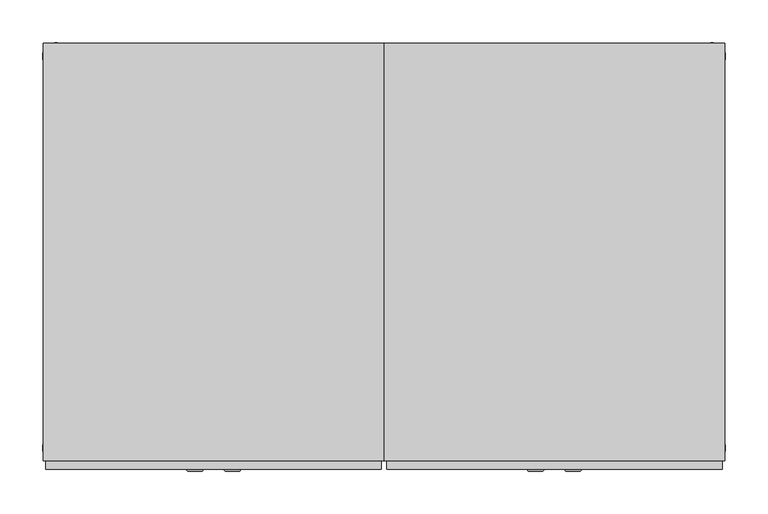
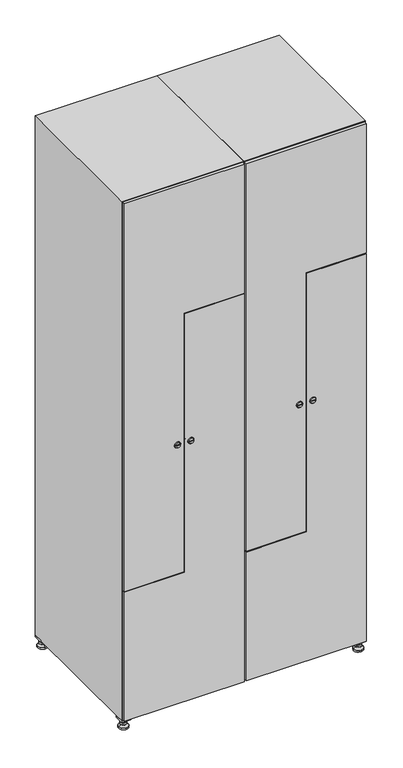
"""IFC4 building model written with IfcOpenShell, lengths in millimetres: furniture geometry."""

from ifc_helpers import new_model, si_unit, point, frame, frame_2d, origin, origin_with_axes, place, context, project, spatial, polyline, circle_curve, trimmed, segment, composite_curve, outline, extrude, faceted_brep, source, transform, mapped, element, save
from ifc_brep_helpers import plane_surface, revolved_surface, advanced_brep


def furniture_caf49d6e(model_context):
    return source(origin(), model_context, "Body", "SolidModel", [
        extrude(outline(polyline([(600.0, 245.0), (600.0, 215.0), (570.0, 215.0), (570.0, 245.0), (600.0, 245.0)]), holes=[polyline([(598.0, 243.0), (572.0, 243.0), (572.0, 217.0), (598.0, 217.0), (598.0, 243.0)])]), frame((0.0, 0.0, 28.5), z_axis=(0.0, 0.0, 1.0), x_axis=(1.0, 0.0, 0.0)), (0.0, 0.0, 1.0), 6.5),
        extrude(outline(polyline([(570.0, -245.0), (570.0, -215.0), (600.0, -215.0), (600.0, -245.0), (570.0, -245.0)]), holes=[polyline([(572.0, -243.0), (598.0, -243.0), (598.0, -217.0), (572.0, -217.0), (572.0, -243.0)])]), frame((0.0, 0.0, 28.5), z_axis=(0.0, 0.0, 1.0), x_axis=(1.0, 0.0, 0.0)), (0.0, 0.0, 1.0), 6.5),
        extrude(outline(polyline([(-170.0, 245.0), (-170.0, 215.0), (-200.0, 215.0), (-200.0, 245.0), (-170.0, 245.0)]), holes=[polyline([(-172.0, 243.0), (-198.0, 243.0), (-198.0, 217.0), (-172.0, 217.0), (-172.0, 243.0)])]), frame((0.0, 0.0, 28.5), z_axis=(0.0, 0.0, 1.0), x_axis=(1.0, 0.0, 0.0)), (0.0, 0.0, 1.0), 6.5),
        extrude(outline(polyline([(-170.0, -215.0), (-170.0, -245.0), (-200.0, -245.0), (-200.0, -215.0), (-170.0, -215.0)]), holes=[polyline([(-198.0, -243.0), (-172.0, -243.0), (-172.0, -217.0), (-198.0, -217.0), (-198.0, -243.0)])]), frame((0.0, 0.0, 28.5), z_axis=(0.0, 0.0, 1.0), x_axis=(1.0, 0.0, 0.0)), (0.0, 0.0, 1.0), 6.5),
        extrude(outline(composite_curve([segment(trimmed(circle_curve(frame_2d((-185.0, 230.0)), 5.0), [point((-180.0, 230.0))], [point((-190.0, 230.0))], False, "CARTESIAN"), True, "CONTINUOUS"), segment(trimmed(circle_curve(frame_2d((-185.0, 230.0)), 5.0), [point((-190.0, 230.0))], [point((-180.0, 230.0))], False, "CARTESIAN"), True, "CONTINUOUS")], self_intersect=False)), frame((0.0, 0.0, 19.6), z_axis=(0.0, 0.0, 1.0), x_axis=(1.0, 0.0, 0.0)), (0.0, 0.0, 1.0), 15.4),
        extrude(outline(composite_curve([segment(trimmed(circle_curve(frame_2d((-185.0, -230.0)), 5.0), [point((-180.0, -230.0))], [point((-190.0, -230.0))], False, "CARTESIAN"), True, "CONTINUOUS"), segment(trimmed(circle_curve(frame_2d((-185.0, -230.0)), 5.0), [point((-190.0, -230.0))], [point((-180.0, -230.0))], False, "CARTESIAN"), True, "CONTINUOUS")], self_intersect=False)), frame((0.0, 0.0, 19.6), z_axis=(0.0, 0.0, 1.0), x_axis=(1.0, 0.0, 0.0)), (0.0, 0.0, 1.0), 15.4),
        extrude(outline(composite_curve([segment(trimmed(circle_curve(frame_2d((585.0, 230.0)), 5.0), [point((590.0, 230.0))], [point((580.0, 230.0))], False, "CARTESIAN"), True, "CONTINUOUS"), segment(trimmed(circle_curve(frame_2d((585.0, 230.0)), 5.0), [point((580.0, 230.0))], [point((590.0, 230.0))], False, "CARTESIAN"), True, "CONTINUOUS")], self_intersect=False)), frame((0.0, 0.0, 19.6), z_axis=(0.0, 0.0, 1.0), x_axis=(1.0, 0.0, 0.0)), (0.0, 0.0, 1.0), 15.4),
        extrude(outline(polyline([(573.4529946, 230.0), (579.2264973, 240.0), (590.7735027, 240.0), (596.5470054, 230.0), (590.7735027, 220.0), (579.2264973, 220.0), (573.4529946, 230.0)])), frame((0.0, 0.0, 13.6), z_axis=(0.0, 0.0, 1.0), x_axis=(1.0, 0.0, 0.0)), (0.0, 0.0, 1.0), 6.0),
        extrude(outline(composite_curve([segment(trimmed(circle_curve(frame_2d((585.0, -230.0)), 5.0), [point((590.0, -230.0))], [point((580.0, -230.0))], False, "CARTESIAN"), True, "CONTINUOUS"), segment(trimmed(circle_curve(frame_2d((585.0, -230.0)), 5.0), [point((580.0, -230.0))], [point((590.0, -230.0))], False, "CARTESIAN"), True, "CONTINUOUS")], self_intersect=False)), frame((0.0, 0.0, 19.6), z_axis=(0.0, 0.0, 1.0), x_axis=(1.0, 0.0, 0.0)), (0.0, 0.0, 1.0), 15.4),
        extrude(outline(polyline([(573.4529946, -230.0), (579.2264973, -220.0), (590.7735027, -220.0), (596.5470054, -230.0), (590.7735027, -240.0), (579.2264973, -240.0), (573.4529946, -230.0)])), frame((0.0, 0.0, 13.6), z_axis=(0.0, 0.0, 1.0), x_axis=(1.0, 0.0, 0.0)), (0.0, 0.0, 1.0), 6.0),
        extrude(outline(composite_curve([segment(trimmed(circle_curve(frame_2d((585.0, 230.0)), 5.0), [point((590.0, 230.0))], [point((580.0, 230.0))], False, "CARTESIAN"), True, "CONTINUOUS"), segment(trimmed(circle_curve(frame_2d((585.0, 230.0)), 5.0), [point((580.0, 230.0))], [point((590.0, 230.0))], False, "CARTESIAN"), True, "CONTINUOUS")], self_intersect=False)), frame((0.0, 0.0, 12.1), z_axis=(0.0, 0.0, 1.0), x_axis=(1.0, 0.0, 0.0)), (0.0, 0.0, 1.0), 1.5),
        extrude(outline(composite_curve([segment(trimmed(circle_curve(frame_2d((585.0, -230.0)), 5.0), [point((590.0, -230.0))], [point((580.0, -230.0))], False, "CARTESIAN"), True, "CONTINUOUS"), segment(trimmed(circle_curve(frame_2d((585.0, -230.0)), 5.0), [point((580.0, -230.0))], [point((590.0, -230.0))], False, "CARTESIAN"), True, "CONTINUOUS")], self_intersect=False)), frame((0.0, 0.0, 12.1), z_axis=(0.0, 0.0, 1.0), x_axis=(1.0, 0.0, 0.0)), (0.0, 0.0, 1.0), 1.5),
        extrude(outline(polyline([(-196.5470054, 230.0), (-190.7735027, 240.0), (-179.2264973, 240.0), (-173.4529946, 230.0), (-179.2264973, 220.0), (-190.7735027, 220.0), (-196.5470054, 230.0)])), frame((0.0, 0.0, 13.6), z_axis=(0.0, 0.0, 1.0), x_axis=(1.0, 0.0, 0.0)), (0.0, 0.0, 1.0), 6.0),
        extrude(outline(polyline([(-196.5470054, -230.0), (-190.7735027, -220.0), (-179.2264973, -220.0), (-173.4529946, -230.0), (-179.2264973, -240.0), (-190.7735027, -240.0), (-196.5470054, -230.0)])), frame((0.0, 0.0, 13.6), z_axis=(0.0, 0.0, 1.0), x_axis=(1.0, 0.0, 0.0)), (0.0, 0.0, 1.0), 6.0),
        extrude(outline(composite_curve([segment(trimmed(circle_curve(frame_2d((-185.0, 230.0)), 5.0), [point((-185.0, 235.0))], [point((-185.0, 225.0))], False, "CARTESIAN"), True, "CONTINUOUS"), segment(trimmed(circle_curve(frame_2d((-185.0, 230.0)), 5.0), [point((-185.0, 225.0))], [point((-185.0, 235.0))], False, "CARTESIAN"), True, "CONTINUOUS")], self_intersect=False)), frame((0.0, 0.0, 12.1), z_axis=(0.0, 0.0, 1.0), x_axis=(1.0, 0.0, 0.0)), (0.0, 0.0, 1.0), 1.5),
        extrude(outline(composite_curve([segment(trimmed(circle_curve(frame_2d((-185.0, -230.0)), 5.0), [point((-180.0, -230.0))], [point((-190.0, -230.0))], False, "CARTESIAN"), True, "CONTINUOUS"), segment(trimmed(circle_curve(frame_2d((-185.0, -230.0)), 5.0), [point((-190.0, -230.0))], [point((-180.0, -230.0))], False, "CARTESIAN"), True, "CONTINUOUS")], self_intersect=False)), frame((0.0, 0.0, 12.1), z_axis=(0.0, 0.0, 1.0), x_axis=(1.0, 0.0, 0.0)), (0.0, 0.0, 1.0), 1.5),
        extrude(outline(composite_curve([segment(trimmed(circle_curve(frame_2d((585.0, 230.0)), 15.75), [point((600.75, 230.0))], [point((569.25, 230.0))], False, "CARTESIAN"), True, "CONTINUOUS"), segment(trimmed(circle_curve(frame_2d((585.0, 230.0)), 15.75), [point((569.25, 230.0))], [point((600.75, 230.0))], False, "CARTESIAN"), True, "CONTINUOUS")], self_intersect=False)), origin_with_axes(), (0.0, 0.0, 1.0), 5.1),
        extrude(outline(composite_curve([segment(trimmed(circle_curve(frame_2d((585.0, -230.0)), 15.75), [point((585.0, -214.25))], [point((585.0, -245.75))], False, "CARTESIAN"), True, "CONTINUOUS"), segment(trimmed(circle_curve(frame_2d((585.0, -230.0)), 15.75), [point((585.0, -245.75))], [point((585.0, -214.25))], False, "CARTESIAN"), True, "CONTINUOUS")], self_intersect=False)), origin_with_axes(), (0.0, 0.0, 1.0), 5.1),
        extrude(outline(composite_curve([segment(trimmed(circle_curve(frame_2d((-185.0, -230.0)), 15.75), [point((-169.25, -230.0))], [point((-200.75, -230.0))], False, "CARTESIAN"), True, "CONTINUOUS"), segment(trimmed(circle_curve(frame_2d((-185.0, -230.0)), 15.75), [point((-200.75, -230.0))], [point((-169.25, -230.0))], False, "CARTESIAN"), True, "CONTINUOUS")], self_intersect=False)), origin_with_axes(), (0.0, 0.0, 1.0), 5.1),
        extrude(outline(composite_curve([segment(trimmed(circle_curve(frame_2d((-185.0, 230.0)), 15.75), [point((-169.25, 230.0))], [point((-200.75, 230.0))], False, "CARTESIAN"), True, "CONTINUOUS"), segment(trimmed(circle_curve(frame_2d((-185.0, 230.0)), 15.75), [point((-200.75, 230.0))], [point((-169.25, 230.0))], False, "CARTESIAN"), True, "CONTINUOUS")], self_intersect=False)), origin_with_axes(), (0.0, 0.0, 1.0), 5.1),
        advanced_brep(
        [(-185.0, 239.5, 12.1), (-185.0, 220.5, 12.1), (-185.0, 214.25, 5.1), (-185.0, 245.75, 5.1)],
        [
            (0, 1, circle_curve(frame((-185.0, 230.0, 12.1), z_axis=(0.0, 0.0, -1.0), x_axis=(0.0, 1.0, 0.0)), 9.5)),
            (1, 2),
            (2, 3, circle_curve(frame((-185.0, 230.0, 5.1), z_axis=(0.0, 0.0, 1.0), x_axis=(0.0, 1.0, 0.0)), 15.75)),
            (3, 0),
            (1, 0, circle_curve(frame((-185.0, 230.0, 12.1), z_axis=(0.0, 0.0, -1.0), x_axis=(0.0, -1.0, 0.0)), 9.5)),
            (3, 2, circle_curve(frame((-185.0, 230.0, 5.1), z_axis=(0.0, 0.0, 1.0), x_axis=(0.0, -1.0, 0.0)), 15.75)),
        ],
        [
            revolved_surface(polyline([(-185.0, 220.5, 12.099999999999998), (-185.0, 214.25, 5.099999999999998)]), (-185.0, 230.0, 22.74), (0.0, 0.0, -1.0)),
            revolved_surface(polyline([(-185.0, 239.5, 12.099999999999998), (-185.0, 245.75, 5.099999999999998)]), (-185.0, 230.0, 22.74), (0.0, 0.0, -1.0)),
            plane_surface(frame((-185.0, 230.0, 5.1), z_axis=(0.0, 0.0, -1.0), x_axis=(1.0, 0.0, 0.0))),
            plane_surface(frame((-185.0, 230.0, 12.1), z_axis=(0.0, 0.0, 1.0), x_axis=(1.0, 0.0, 0.0))),
        ],
        [
            (0, [[1, 2, 3, 4]]),
            (1, [[5, -4, 6, -2]]),
            (2, [[-3, -6]]),
            (3, [[-5, -1]]),
        ],
    ),
        advanced_brep(
        [(585.0, 239.5, 12.1), (585.0, 220.5, 12.1), (585.0, 214.25, 5.1), (585.0, 245.75, 5.1)],
        [
            (0, 1, circle_curve(frame((585.0, 230.0, 12.1), z_axis=(0.0, 0.0, -1.0), x_axis=(0.0, 1.0, 0.0)), 9.5)),
            (1, 2),
            (2, 3, circle_curve(frame((585.0, 230.0, 5.1), z_axis=(0.0, 0.0, 1.0), x_axis=(0.0, 1.0, 0.0)), 15.75)),
            (3, 0),
            (1, 0, circle_curve(frame((585.0, 230.0, 12.1), z_axis=(0.0, 0.0, -1.0), x_axis=(0.0, -1.0, 0.0)), 9.5)),
            (3, 2, circle_curve(frame((585.0, 230.0, 5.1), z_axis=(0.0, 0.0, 1.0), x_axis=(0.0, -1.0, 0.0)), 15.75)),
        ],
        [
            revolved_surface(polyline([(585.0, 220.5, 12.099999999999998), (585.0, 214.25, 5.099999999999998)]), (585.0, 230.0, 22.74), (0.0, 0.0, -1.0)),
            revolved_surface(polyline([(585.0, 239.5, 12.099999999999998), (585.0, 245.75, 5.099999999999998)]), (585.0, 230.0, 22.74), (0.0, 0.0, -1.0)),
            plane_surface(frame((585.0, 230.0, 5.1), z_axis=(0.0, 0.0, -1.0), x_axis=(1.0, 0.0, 0.0))),
            plane_surface(frame((585.0, 230.0, 12.1), z_axis=(0.0, 0.0, 1.0), x_axis=(1.0, 0.0, 0.0))),
        ],
        [
            (0, [[1, 2, 3, 4]]),
            (1, [[5, -4, 6, -2]]),
            (2, [[-3, -6]]),
            (3, [[-5, -1]]),
        ],
    ),
        advanced_brep(
        [(600.75, -230.0, 5.1), (569.25, -230.0, 5.1), (575.5, -230.0, 12.1), (594.5, -230.0, 12.1)],
        [
            (0, 1, circle_curve(frame((585.0, -230.0, 5.1), z_axis=(0.0, 0.0, 1.0), x_axis=(1.0, 0.0, 0.0)), 15.75)),
            (1, 2),
            (2, 3, circle_curve(frame((585.0, -230.0, 12.1), z_axis=(0.0, 0.0, -1.0), x_axis=(1.0, 0.0, 0.0)), 9.5)),
            (3, 0),
            (1, 0, circle_curve(frame((585.0, -230.0, 5.1), z_axis=(0.0, 0.0, 1.0), x_axis=(-1.0, 0.0, 0.0)), 15.75)),
            (3, 2, circle_curve(frame((585.0, -230.0, 12.1), z_axis=(0.0, 0.0, -1.0), x_axis=(-1.0, 0.0, 0.0)), 9.5)),
        ],
        [
            revolved_surface(polyline([(594.5, -230.0, 12.099999999999998), (600.75, -230.0, 5.099999999999998)]), (585.0, -230.0, 22.74), (0.0, 0.0, -1.0)),
            revolved_surface(polyline([(575.5, -230.0, 12.099999999999998), (569.25, -230.0, 5.099999999999998)]), (585.0, -230.0, 22.74), (0.0, 0.0, -1.0)),
            plane_surface(frame((585.0, -230.0, 12.1), z_axis=(0.0, 0.0, 1.0), x_axis=(0.0, 1.0, 0.0))),
            plane_surface(frame((585.0, -230.0, 5.1), z_axis=(0.0, 0.0, -1.0), x_axis=(0.0, 1.0, 0.0))),
        ],
        [
            (0, [[1, 2, 3, 4]]),
            (1, [[5, -4, 6, -2]]),
            (2, [[-3, -6]]),
            (3, [[-5, -1]]),
        ],
    ),
        advanced_brep(
        [(-169.25, -230.0, 5.1), (-200.75, -230.0, 5.1), (-194.5, -230.0, 12.1), (-175.5, -230.0, 12.1)],
        [
            (0, 1, circle_curve(frame((-185.0, -230.0, 5.1), z_axis=(0.0, 0.0, 1.0), x_axis=(1.0, 0.0, 0.0)), 15.75)),
            (1, 2),
            (2, 3, circle_curve(frame((-185.0, -230.0, 12.1), z_axis=(0.0, 0.0, -1.0), x_axis=(1.0, 0.0, 0.0)), 9.5)),
            (3, 0),
            (1, 0, circle_curve(frame((-185.0, -230.0, 5.1), z_axis=(0.0, 0.0, 1.0), x_axis=(-1.0, 0.0, 0.0)), 15.75)),
            (3, 2, circle_curve(frame((-185.0, -230.0, 12.1), z_axis=(0.0, 0.0, -1.0), x_axis=(-1.0, 0.0, 0.0)), 9.5)),
        ],
        [
            revolved_surface(polyline([(-175.5, -230.0, 12.099999999999998), (-169.25, -230.0, 5.099999999999998)]), (-185.0, -230.0, 22.74), (0.0, 0.0, -1.0)),
            revolved_surface(polyline([(-194.5, -230.0, 12.099999999999998), (-200.75, -230.0, 5.099999999999998)]), (-185.0, -230.0, 22.74), (0.0, 0.0, -1.0)),
            plane_surface(frame((-185.0, -230.0, 12.1), z_axis=(0.0, 0.0, 1.0), x_axis=(0.0, 1.0, 0.0))),
            plane_surface(frame((-185.0, -230.0, 5.1), z_axis=(0.0, 0.0, -1.0), x_axis=(0.0, 1.0, 0.0))),
        ],
        [
            (0, [[1, 2, 3, 4]]),
            (1, [[5, -4, 6, -2]]),
            (2, [[-3, -6]]),
            (3, [[-5, -1]]),
        ],
    ),
        extrude(outline(composite_curve([segment(trimmed(circle_curve(frame_2d((935.0, 404.7989466)), 7.0), [point((928.0, 404.7989466))], [point((942.0, 404.7989466))], False, "CARTESIAN"), True, "CONTINUOUS"), segment(polyline([(942.0, 404.7989466), (942.0, 376.7989466)]), True, "CONTINUOUS"), segment(trimmed(circle_curve(frame_2d((935.0, 376.7989466)), 7.0), [point((942.0, 376.7989466))], [point((928.0, 376.7989466))], False, "CARTESIAN"), True, "CONTINUOUS"), segment(polyline([(928.0, 376.7989466), (928.0, 404.7989466)]), True, "CONTINUOUS")], self_intersect=False)), frame((0.0, -245.0, 0.0), z_axis=(0.0, 1.0, 0.0), x_axis=(0.0, 0.0, 1.0)), (0.0, 0.0, 1.0), 2.0),
        advanced_brep(
        [(369.5, -257.2, 935.0), (386.5, -257.2, 935.0), (383.0, -257.2, 936.25), (383.0, -257.2, 933.75), (373.0, -257.2, 933.75), (373.0, -257.2, 936.25), (367.5, -255.0, 935.0), (388.5, -255.0, 935.0), (383.0, -255.0, 933.75), (383.0, -255.0, 936.25), (373.0, -255.0, 936.25), (373.0, -255.0, 933.75)],
        [
            (0, 1, circle_curve(frame((378.0, -257.2, 935.0), z_axis=(0.0, -1.0, 0.0), x_axis=(-1.0, 0.0, 0.0)), 8.5)),
            (1, 0, circle_curve(frame((378.0, -257.2, 935.0), z_axis=(0.0, -1.0, 0.0), x_axis=(1.0, 0.0, 0.0)), 8.5)),
            (2, 3),
            (3, 4),
            (4, 5),
            (5, 2),
            (6, 7, circle_curve(frame((378.0, -255.0, 935.0), z_axis=(0.0, 1.0, 0.0), x_axis=(1.0, 0.0, 0.0)), 10.5)),
            (7, 6, circle_curve(frame((378.0, -255.0, 935.0), z_axis=(0.0, 1.0, 0.0), x_axis=(-1.0, 0.0, 0.0)), 10.5)),
            (8, 9),
            (9, 10),
            (10, 11),
            (11, 8),
            (0, 6),
            (7, 1),
            (8, 3),
            (2, 9),
            (11, 4),
            (10, 5),
        ],
        [
            plane_surface(frame((378.0, -257.2, 935.0), z_axis=(0.0, -1.0, 0.0), x_axis=(0.0, 0.0, -1.0))),
            plane_surface(frame((378.0, -255.0, 935.0), z_axis=(0.0, 1.0, 0.0), x_axis=(0.0, 0.0, -1.0))),
            revolved_surface(polyline([(369.5, -257.2, 935.0), (367.5, -255.0, 935.0)]), (378.0, -266.55, 935.0), (0.0, 1.0, 0.0)),
            revolved_surface(polyline([(386.5, -257.2, 935.0), (388.5, -255.0, 935.0)]), (378.0, -266.55, 935.0), (0.0, 1.0, 0.0)),
            plane_surface(frame((383.0, -255.0, 936.25), z_axis=(-1.0, 0.0, 0.0), x_axis=(0.0, -1.0, 0.0))),
            plane_surface(frame((383.0, -255.0, 933.75), z_axis=(0.0, 0.0, 1.0), x_axis=(0.0, -1.0, 0.0))),
            plane_surface(frame((373.0, -255.0, 933.75), z_axis=(1.0, 0.0, 0.0), x_axis=(0.0, -1.0, 0.0))),
            plane_surface(frame((373.0, -255.0, 936.25), z_axis=(0.0, 0.0, -1.0), x_axis=(0.0, -1.0, 0.0))),
        ],
        [
            (0, [[1, 2], [3, 4, 5, 6]]),
            (1, [[7, 8], [9, 10, 11, 12]]),
            (2, [[-1, 13, -8, 14]]),
            (3, [[-2, -14, -7, -13]]),
            (4, [[15, -3, 16, -9]]),
            (5, [[-15, -12, 17, -4]]),
            (6, [[-17, -11, 18, -5]]),
            (7, [[-16, -6, -18, -10]]),
        ],
    ),
        extrude(outline(polyline([(1832.0, 203.0), (488.0, 203.0), (488.0, 398.5), (1385.0, 398.5), (1385.0, 597.0), (1832.0, 597.0), (1832.0, 203.0)])), frame((0.0, -255.0, 0.0), z_axis=(0.0, 1.0, 0.0), x_axis=(0.0, 0.0, 1.0)), (0.0, 0.0, 1.0), 10.0),
        extrude(outline(composite_curve([segment(trimmed(circle_curve(frame_2d((935.0, 395.2010534)), 7.0), [point((942.0, 395.2010534))], [point((928.0, 395.2010534))], False, "CARTESIAN"), True, "CONTINUOUS"), segment(polyline([(928.0, 395.2010534), (928.0, 423.2010534)]), True, "CONTINUOUS"), segment(trimmed(circle_curve(frame_2d((935.0, 423.2010534)), 7.0), [point((928.0, 423.2010534))], [point((942.0, 423.2010534))], False, "CARTESIAN"), True, "CONTINUOUS"), segment(polyline([(942.0, 423.2010534), (942.0, 395.2010534)]), True, "CONTINUOUS")], self_intersect=False)), frame((0.0, -245.0, 0.0), z_axis=(0.0, 1.0, 0.0), x_axis=(0.0, 0.0, 1.0)), (0.0, 0.0, 1.0), 2.0),
        advanced_brep(
        [(430.5, -257.2, 935.0), (413.5, -257.2, 935.0), (417.0, -257.2, 933.75), (417.0, -257.2, 936.25), (427.0, -257.2, 936.25), (427.0, -257.2, 933.75), (432.5, -255.0, 935.0), (411.5, -255.0, 935.0), (417.0, -255.0, 936.25), (417.0, -255.0, 933.75), (427.0, -255.0, 933.75), (427.0, -255.0, 936.25)],
        [
            (0, 1, circle_curve(frame((422.0, -257.2, 935.0), z_axis=(0.0, -1.0, 0.0), x_axis=(1.0, 0.0, 0.0)), 8.5)),
            (1, 0, circle_curve(frame((422.0, -257.2, 935.0), z_axis=(0.0, -1.0, 0.0), x_axis=(-1.0, 0.0, 0.0)), 8.5)),
            (2, 3),
            (3, 4),
            (4, 5),
            (5, 2),
            (6, 7, circle_curve(frame((422.0, -255.0, 935.0), z_axis=(0.0, 1.0, 0.0), x_axis=(-1.0, 0.0, 0.0)), 10.5)),
            (7, 6, circle_curve(frame((422.0, -255.0, 935.0), z_axis=(0.0, 1.0, 0.0), x_axis=(1.0, 0.0, 0.0)), 10.5)),
            (8, 9),
            (9, 10),
            (10, 11),
            (11, 8),
            (0, 6),
            (7, 1),
            (8, 3),
            (2, 9),
            (11, 4),
            (10, 5),
        ],
        [
            plane_surface(frame((422.0, -257.2, 935.0), z_axis=(0.0, -1.0, 0.0), x_axis=(0.0, 0.0, 1.0))),
            plane_surface(frame((422.0, -255.0, 935.0), z_axis=(0.0, 1.0, 0.0), x_axis=(0.0, 0.0, 1.0))),
            revolved_surface(polyline([(430.5, -257.2, 935.0), (432.5, -255.0, 935.0)]), (422.0, -266.55, 935.0), (0.0, 1.0, 0.0)),
            revolved_surface(polyline([(413.5, -257.2, 935.0), (411.5, -255.0, 935.0)]), (422.0, -266.55, 935.0), (0.0, 1.0, 0.0)),
            plane_surface(frame((417.0, -255.0, 933.75), z_axis=(1.0, 0.0, 0.0), x_axis=(0.0, -1.0, 0.0))),
            plane_surface(frame((417.0, -255.0, 936.25), z_axis=(0.0, 0.0, -1.0), x_axis=(0.0, -1.0, 0.0))),
            plane_surface(frame((427.0, -255.0, 936.25), z_axis=(-1.0, 0.0, 0.0), x_axis=(0.0, -1.0, 0.0))),
            plane_surface(frame((427.0, -255.0, 933.75), z_axis=(0.0, 0.0, 1.0), x_axis=(0.0, -1.0, 0.0))),
        ],
        [
            (0, [[1, 2], [3, 4, 5, 6]]),
            (1, [[7, 8], [9, 10, 11, 12]]),
            (2, [[-1, 13, -8, 14]]),
            (3, [[-2, -14, -7, -13]]),
            (4, [[15, -3, 16, -9]]),
            (5, [[-15, -12, 17, -4]]),
            (6, [[-17, -11, 18, -5]]),
            (7, [[-16, -6, -18, -10]]),
        ],
    ),
        extrude(outline(polyline([(38.0, 597.0), (1382.0, 597.0), (1382.0, 401.5), (485.0, 401.5), (485.0, 203.0), (38.0, 203.0), (38.0, 597.0)])), frame((0.0, -255.0, 0.0), z_axis=(0.0, 1.0, 0.0), x_axis=(0.0, 0.0, 1.0)), (0.0, 0.0, 1.0), 10.0),
        extrude(outline(polyline([(1373.3, 579.6), (1393.7, 579.6), (1393.7, 389.8), (496.7, 389.8), (496.7, 220.4), (476.3, 220.4), (476.3, 410.2), (1373.3, 410.2), (1373.3, 579.6)])), frame((0.0, -245.0, 0.0), z_axis=(0.0, 1.0, 0.0), x_axis=(0.0, 0.0, 1.0)), (0.0, 0.0, 1.0), 487.0),
        faceted_brep([(600.0, -245.0, 35.0), (600.0, -245.0, 1835.0), (200.0, -245.0, 1835.0), (200.0, -245.0, 35.0), (579.6, -245.0, 1804.8), (579.6, -245.0, 65.2), (220.4, -245.0, 65.2), (220.4, -245.0, 1804.8), (600.0, 245.0, 35.0), (200.0, 245.0, 35.0), (600.0, 245.0, 1835.0), (200.0, 245.0, 1835.0), (579.6, 242.0, 1804.8), (579.6, 242.0, 65.2), (200.0, 245.0, 1804.8), (220.4, 242.0, 1804.8), (220.4, 242.0, 65.2)], [[[0, 1, 2, 3], [4, 5, 6, 7]], [[8, 0, 3, 9]], [[1, 0, 8, 10]], [[1, 10, 11, 2]], [[4, 12, 13, 5]], [[9, 3, 2, 11, 14]], [[10, 8, 9, 14, 11]], [[12, 15, 16, 13]], [[15, 7, 6, 16]], [[4, 7, 15, 12]], [[6, 5, 13, 16]]]),
        extrude(outline(composite_curve([segment(trimmed(circle_curve(frame_2d((935.0, 4.7989466)), 7.0), [point((928.0, 4.7989466))], [point((942.0, 4.7989466))], False, "CARTESIAN"), True, "CONTINUOUS"), segment(polyline([(942.0, 4.7989466), (942.0, -23.2010534)]), True, "CONTINUOUS"), segment(trimmed(circle_curve(frame_2d((935.0, -23.2010534)), 7.0), [point((942.0, -23.2010534))], [point((928.0, -23.2010534))], False, "CARTESIAN"), True, "CONTINUOUS"), segment(polyline([(928.0, -23.2010534), (928.0, 4.7989466)]), True, "CONTINUOUS")], self_intersect=False)), frame((0.0, -245.0, 0.0), z_axis=(0.0, 1.0, 0.0), x_axis=(0.0, 0.0, 1.0)), (0.0, 0.0, 1.0), 2.0),
        advanced_brep(
        [(-30.5, -257.2, 935.0), (-13.5, -257.2, 935.0), (-17.0, -257.2, 936.25), (-17.0, -257.2, 933.75), (-27.0, -257.2, 933.75), (-27.0, -257.2, 936.25), (-32.5, -255.0, 935.0), (-11.5, -255.0, 935.0), (-17.0, -255.0, 933.75), (-17.0, -255.0, 936.25), (-27.0, -255.0, 936.25), (-27.0, -255.0, 933.75)],
        [
            (0, 1, circle_curve(frame((-22.0, -257.2, 935.0), z_axis=(0.0, -1.0, 0.0), x_axis=(-1.0, 0.0, 0.0)), 8.5)),
            (1, 0, circle_curve(frame((-22.0, -257.2, 935.0), z_axis=(0.0, -1.0, 0.0), x_axis=(1.0, 0.0, 0.0)), 8.5)),
            (2, 3),
            (3, 4),
            (4, 5),
            (5, 2),
            (6, 7, circle_curve(frame((-22.0, -255.0, 935.0), z_axis=(0.0, 1.0, 0.0), x_axis=(1.0, 0.0, 0.0)), 10.5)),
            (7, 6, circle_curve(frame((-22.0, -255.0, 935.0), z_axis=(0.0, 1.0, 0.0), x_axis=(-1.0, 0.0, 0.0)), 10.5)),
            (8, 9),
            (9, 10),
            (10, 11),
            (11, 8),
            (0, 6),
            (7, 1),
            (8, 3),
            (2, 9),
            (11, 4),
            (10, 5),
        ],
        [
            plane_surface(frame((-22.0, -257.2, 935.0), z_axis=(0.0, -1.0, 0.0), x_axis=(0.0, 0.0, -1.0))),
            plane_surface(frame((-22.0, -255.0, 935.0), z_axis=(0.0, 1.0, 0.0), x_axis=(0.0, 0.0, -1.0))),
            revolved_surface(polyline([(-30.500000000000014, -257.2, 935.0), (-32.5, -255.0, 935.0)]), (-22.0, -266.55, 935.0), (0.0, 1.0, 0.0)),
            revolved_surface(polyline([(-13.499999999999988, -257.2, 935.0), (-11.5, -255.0, 935.0)]), (-22.0, -266.55, 935.0), (0.0, 1.0, 0.0)),
            plane_surface(frame((-17.0, -255.0, 936.25), z_axis=(-1.0, 0.0, 0.0), x_axis=(0.0, -1.0, 0.0))),
            plane_surface(frame((-17.0, -255.0, 933.75), z_axis=(0.0, 0.0, 1.0), x_axis=(0.0, -1.0, 0.0))),
            plane_surface(frame((-27.0, -255.0, 933.75), z_axis=(1.0, 0.0, 0.0), x_axis=(0.0, -1.0, 0.0))),
            plane_surface(frame((-27.0, -255.0, 936.25), z_axis=(0.0, 0.0, -1.0), x_axis=(0.0, -1.0, 0.0))),
        ],
        [
            (0, [[1, 2], [3, 4, 5, 6]]),
            (1, [[7, 8], [9, 10, 11, 12]]),
            (2, [[-1, 13, -8, 14]]),
            (3, [[-2, -14, -7, -13]]),
            (4, [[15, -3, 16, -9]]),
            (5, [[-15, -12, 17, -4]]),
            (6, [[-17, -11, 18, -5]]),
            (7, [[-16, -6, -18, -10]]),
        ],
    ),
        extrude(outline(polyline([(1832.0, -197.0), (488.0, -197.0), (488.0, -1.5), (1385.0, -1.5), (1385.0, 197.0), (1832.0, 197.0), (1832.0, -197.0)])), frame((0.0, -255.0, 0.0), z_axis=(0.0, 1.0, 0.0), x_axis=(0.0, 0.0, 1.0)), (0.0, 0.0, 1.0), 10.0),
        extrude(outline(composite_curve([segment(trimmed(circle_curve(frame_2d((935.0, -4.7989466)), 7.0), [point((942.0, -4.7989466))], [point((928.0, -4.7989466))], False, "CARTESIAN"), True, "CONTINUOUS"), segment(polyline([(928.0, -4.7989466), (928.0, 23.2010534)]), True, "CONTINUOUS"), segment(trimmed(circle_curve(frame_2d((935.0, 23.2010534)), 7.0), [point((928.0, 23.2010534))], [point((942.0, 23.2010534))], False, "CARTESIAN"), True, "CONTINUOUS"), segment(polyline([(942.0, 23.2010534), (942.0, -4.7989466)]), True, "CONTINUOUS")], self_intersect=False)), frame((0.0, -245.0, 0.0), z_axis=(0.0, 1.0, 0.0), x_axis=(0.0, 0.0, 1.0)), (0.0, 0.0, 1.0), 2.0),
        advanced_brep(
        [(30.5, -257.2, 935.0), (13.5, -257.2, 935.0), (17.0, -257.2, 933.75), (17.0, -257.2, 936.25), (27.0, -257.2, 936.25), (27.0, -257.2, 933.75), (32.5, -255.0, 935.0), (11.5, -255.0, 935.0), (17.0, -255.0, 936.25), (17.0, -255.0, 933.75), (27.0, -255.0, 933.75), (27.0, -255.0, 936.25)],
        [
            (0, 1, circle_curve(frame((22.0, -257.2, 935.0), z_axis=(0.0, -1.0, 0.0), x_axis=(1.0, 0.0, 0.0)), 8.5)),
            (1, 0, circle_curve(frame((22.0, -257.2, 935.0), z_axis=(0.0, -1.0, 0.0), x_axis=(-1.0, 0.0, 0.0)), 8.5)),
            (2, 3),
            (3, 4),
            (4, 5),
            (5, 2),
            (6, 7, circle_curve(frame((22.0, -255.0, 935.0), z_axis=(0.0, 1.0, 0.0), x_axis=(-1.0, 0.0, 0.0)), 10.5)),
            (7, 6, circle_curve(frame((22.0, -255.0, 935.0), z_axis=(0.0, 1.0, 0.0), x_axis=(1.0, 0.0, 0.0)), 10.5)),
            (8, 9),
            (9, 10),
            (10, 11),
            (11, 8),
            (0, 6),
            (7, 1),
            (8, 3),
            (2, 9),
            (11, 4),
            (10, 5),
        ],
        [
            plane_surface(frame((22.0, -257.2, 935.0), z_axis=(0.0, -1.0, 0.0), x_axis=(0.0, 0.0, 1.0))),
            plane_surface(frame((22.0, -255.0, 935.0), z_axis=(0.0, 1.0, 0.0), x_axis=(0.0, 0.0, 1.0))),
            revolved_surface(polyline([(30.500000000000014, -257.2, 935.0), (32.5, -255.0, 935.0)]), (22.0, -266.55, 935.0), (0.0, 1.0, 0.0)),
            revolved_surface(polyline([(13.499999999999988, -257.2, 935.0), (11.5, -255.0, 935.0)]), (22.0, -266.55, 935.0), (0.0, 1.0, 0.0)),
            plane_surface(frame((17.0, -255.0, 933.75), z_axis=(1.0, 0.0, 0.0), x_axis=(0.0, -1.0, 0.0))),
            plane_surface(frame((17.0, -255.0, 936.25), z_axis=(0.0, 0.0, -1.0), x_axis=(0.0, -1.0, 0.0))),
            plane_surface(frame((27.0, -255.0, 936.25), z_axis=(-1.0, 0.0, 0.0), x_axis=(0.0, -1.0, 0.0))),
            plane_surface(frame((27.0, -255.0, 933.75), z_axis=(0.0, 0.0, 1.0), x_axis=(0.0, -1.0, 0.0))),
        ],
        [
            (0, [[1, 2], [3, 4, 5, 6]]),
            (1, [[7, 8], [9, 10, 11, 12]]),
            (2, [[-1, 13, -8, 14]]),
            (3, [[-2, -14, -7, -13]]),
            (4, [[15, -3, 16, -9]]),
            (5, [[-15, -12, 17, -4]]),
            (6, [[-17, -11, 18, -5]]),
            (7, [[-16, -6, -18, -10]]),
        ],
    ),
        extrude(outline(polyline([(38.0, 197.0), (1382.0, 197.0), (1382.0, 1.5), (485.0, 1.5), (485.0, -197.0), (38.0, -197.0), (38.0, 197.0)])), frame((0.0, -255.0, 0.0), z_axis=(0.0, 1.0, 0.0), x_axis=(0.0, 0.0, 1.0)), (0.0, 0.0, 1.0), 10.0),
        extrude(outline(polyline([(1373.3, 179.6), (1393.7, 179.6), (1393.7, -10.2), (496.7, -10.2), (496.7, -179.6), (476.3, -179.6), (476.3, 10.2), (1373.3, 10.2), (1373.3, 179.6)])), frame((0.0, -245.0, 0.0), z_axis=(0.0, 1.0, 0.0), x_axis=(0.0, 0.0, 1.0)), (0.0, 0.0, 1.0), 487.0),
        faceted_brep([(200.0, -245.0, 35.0), (200.0, -245.0, 1835.0), (-200.0, -245.0, 1835.0), (-200.0, -245.0, 35.0), (179.6, -245.0, 1804.8), (179.6, -245.0, 65.2), (-179.6, -245.0, 65.2), (-179.6, -245.0, 1804.8), (200.0, 245.0, 35.0), (-200.0, 245.0, 35.0), (200.0, 245.0, 1835.0), (-200.0, 245.0, 1835.0), (179.6, 242.0, 1804.8), (179.6, 242.0, 65.2), (-200.0, 245.0, 1804.8), (-179.6, 242.0, 1804.8), (-179.6, 242.0, 65.2)], [[[0, 1, 2, 3], [4, 5, 6, 7]], [[8, 0, 3, 9]], [[1, 0, 8, 10]], [[1, 10, 11, 2]], [[4, 12, 13, 5]], [[9, 3, 2, 11, 14]], [[10, 8, 9, 14, 11]], [[12, 15, 16, 13]], [[15, 7, 6, 16]], [[4, 7, 15, 12]], [[6, 5, 13, 16]]]),
    ])


if __name__ == "__main__":
    model = new_model("IFC4")
    model_context = context("Model", 3, world=origin())
    ifc_project = project(units=[si_unit("LENGTHUNIT", "METRE", prefix="MILLI")], contexts=[model_context])
    site = spatial("IfcSite", under=ifc_project)
    building = spatial("IfcBuilding", under=site)
    placement = place(None, origin())
    furniture_shape = furniture_caf49d6e(model_context)
    element("IfcFurniture", 1, at=placement, inside=building, context=model_context, shape_type="MappedRepresentation", body=[
        mapped(furniture_shape, transform((0.0, 0.0, 0.0), x_axis=(1.0, 0.0, 0.0), y_axis=(0.0, 1.0, 0.0), z_axis=(0.0, 0.0, 1.0))),
    ])
    save(model, "model.ifc")
